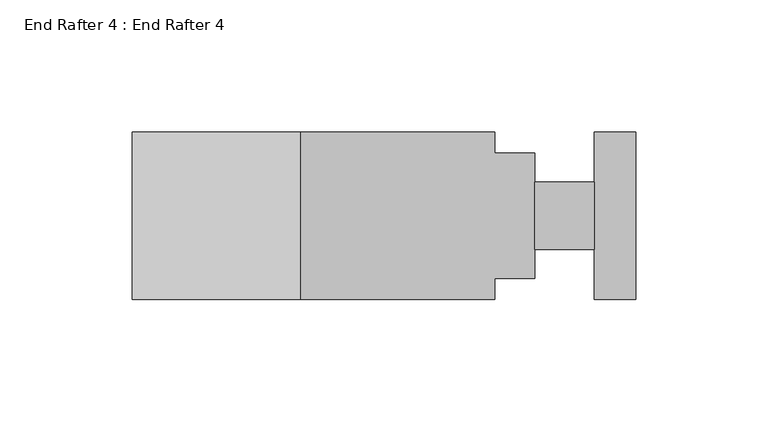
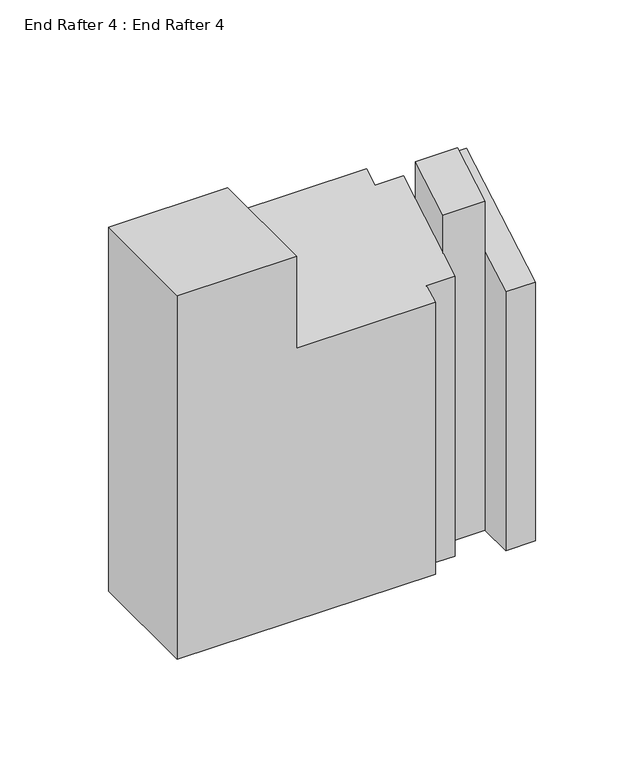
"""IFC4 building model written with IfcOpenShell, lengths in millimetres: proxy geometry, End Rafter 4 : End Rafter 4."""

from ifc_helpers import new_model, si_unit, origin, place, context, project, spatial, faceted_brep, source, transform, mapped, element, save


def end_rafter_4_end_rafter_4_c13a31a3(model_context):
    return source(origin(), model_context, "Body", "Brep", [
        faceted_brep([(11932.3339302, -13786.3397399, 898.313061), (11932.3339302, -13849.8397399, 898.313061), (11995.9020877, -13849.8397399, 898.313061), (11995.9020877, -13786.3397399, 898.313061), (11932.3339302, -13786.3397399, 693.6507954), (12069.6717302, -13786.3397399, 693.6507954), (12069.6717302, -13794.2645399, 693.6507954), (12084.7339302, -13794.2645399, 693.6507954), (12084.7339302, -13805.3897399, 693.6507954), (12107.2129302, -13805.3897399, 693.6507954), (12107.2129302, -13786.3397399, 693.6507954), (12123.0625302, -13786.3397399, 693.6507954), (12123.0625302, -13849.8397399, 693.6507954), (12107.2129302, -13849.8397399, 693.6507954), (12107.2129302, -13830.7897399, 693.6507954), (12084.7339302, -13830.7897399, 693.6507954), (12084.7339302, -13841.9149399, 693.6507954), (12069.6717302, -13841.9149399, 693.6507954), (12069.6717302, -13849.8397399, 693.6507954), (11932.3339302, -13849.8397399, 693.6507954), (12069.6717302, -13849.8397399, 846.5429244), (11995.9020877, -13849.8397399, 846.5429244), (12069.6717302, -13841.9149399, 851.1183098), (12084.7339302, -13841.9149399, 851.1183098), (12084.7339302, -13830.7897399, 857.541447), (12107.2129302, -13830.7897399, 850.2106181), (12107.2129302, -13830.7897399, 878.6715827), (12084.7339302, -13830.7897399, 878.6715827), (12107.2129302, -13849.8397399, 839.2120955), (12123.0625302, -13849.8397399, 839.2120955), (12123.0625302, -13786.3397399, 875.8738376), (12107.2129302, -13786.3397399, 875.8738376), (12107.2129302, -13805.3897399, 864.8753149), (12084.7339302, -13805.3897399, 872.2061439), (12084.7339302, -13805.3897399, 893.3362795), (12107.2129302, -13805.3897399, 893.3362795), (12084.7339302, -13794.2645399, 878.6292811), (12069.6717302, -13794.2645399, 878.6292811), (12069.6717302, -13786.3397399, 883.2046665), (11995.9020877, -13786.3397399, 883.2046665)], [[[0, 1, 2, 3]], [[4, 5, 6, 7, 8, 9, 10, 11, 12, 13, 14, 15, 16, 17, 18, 19]], [[1, 0, 4, 19]], [[19, 18, 20, 21, 2, 1]], [[18, 17, 22, 20]], [[17, 16, 23, 22]], [[16, 15, 24, 23]], [[15, 14, 25, 26, 27, 24]], [[14, 13, 28, 25]], [[13, 12, 29, 28]], [[12, 11, 30, 29]], [[11, 10, 31, 30]], [[10, 9, 32, 31]], [[9, 8, 33, 34, 35, 32]], [[8, 7, 36, 33]], [[7, 6, 37, 36]], [[6, 5, 38, 37]], [[5, 4, 0, 3, 39, 38]], [[32, 25, 28, 29, 30, 31]], [[26, 35, 34, 27]], [[24, 33, 36, 37, 38, 39, 21, 20, 22, 23]], [[21, 39, 3, 2]], [[25, 32, 35, 26]], [[27, 34, 33, 24]]]),
    ])


if __name__ == "__main__":
    model = new_model("IFC4")
    model_context = context("Model", 3, world=origin())
    ifc_project = project(units=[si_unit("LENGTHUNIT", "METRE", prefix="MILLI")], contexts=[model_context])
    site = spatial("IfcSite", under=ifc_project)
    building = spatial("IfcBuilding", under=site)
    placement = place(None, origin())
    end_rafter_4_end_rafter_4_shape = end_rafter_4_end_rafter_4_c13a31a3(model_context)
    element("IfcBuildingElementProxy", 1, Name="End Rafter 4 : End Rafter 4", ObjectType="End Rafter 4 : End Rafter 4", at=placement, inside=building, context=model_context, shape_type="MappedRepresentation", body=[
        mapped(end_rafter_4_end_rafter_4_shape, transform((0.0, 0.0, 0.0), x_axis=(1.0, 0.0, 0.0), y_axis=(0.0, 1.0, 0.0), z_axis=(0.0, 0.0, 1.0))),
    ])
    save(model, "model.ifc")
